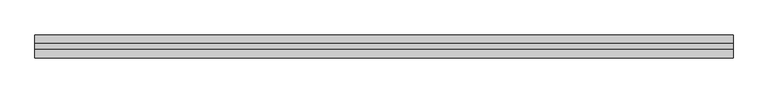
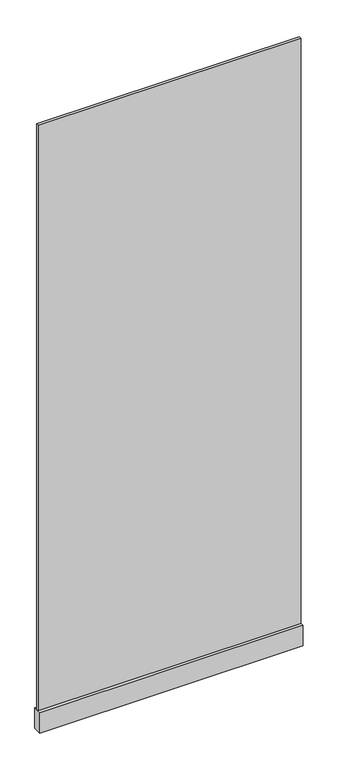
"""IFC4 building model written with IfcOpenShell, lengths in millimetres: plate geometry."""

from ifc_helpers import new_model, si_unit, frame, origin, origin_with_axes, place, context, project, spatial, polyline, outline, extrude, source, transform, mapped, element, save


def plate_69da4691(model_context):
    return source(origin(), model_context, "Body", "SweptSolid", [
        extrude(outline(polyline([(-605.9309555, -5.0), (-605.9309555, 5.0), (605.9309555, 5.0), (605.9309555, -5.0), (-605.9309555, -5.0)])), frame((0.0, 0.0, 100.0), z_axis=(0.0, 0.0, 1.0), x_axis=(1.0, 0.0, 0.0)), (0.0, 0.0, 1.0), 2850.0),
        extrude(outline(polyline([(-605.9309555, -20.0), (-605.9309555, 20.0), (605.9309555, 20.0), (605.9309555, -20.0), (-605.9309555, -20.0)])), origin_with_axes(), (0.0, 0.0, 1.0), 100.0),
    ])


if __name__ == "__main__":
    model = new_model("IFC4")
    model_context = context("Model", 3, world=origin())
    ifc_project = project(units=[si_unit("LENGTHUNIT", "METRE", prefix="MILLI")], contexts=[model_context])
    site = spatial("IfcSite", under=ifc_project)
    building = spatial("IfcBuilding", under=site)
    placement = place(None, origin())
    plate_shape = plate_69da4691(model_context)
    element("IfcPlate", 1, at=placement, inside=building, context=model_context, shape_type="MappedRepresentation", body=[
        mapped(plate_shape, transform((0.0, 0.0, 0.0), x_axis=(1.0, 0.0, 0.0), y_axis=(0.0, 1.0, 0.0), z_axis=(0.0, 0.0, 1.0))),
    ])
    save(model, "model.ifc")
